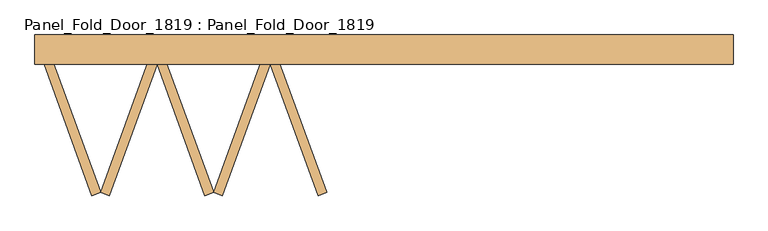
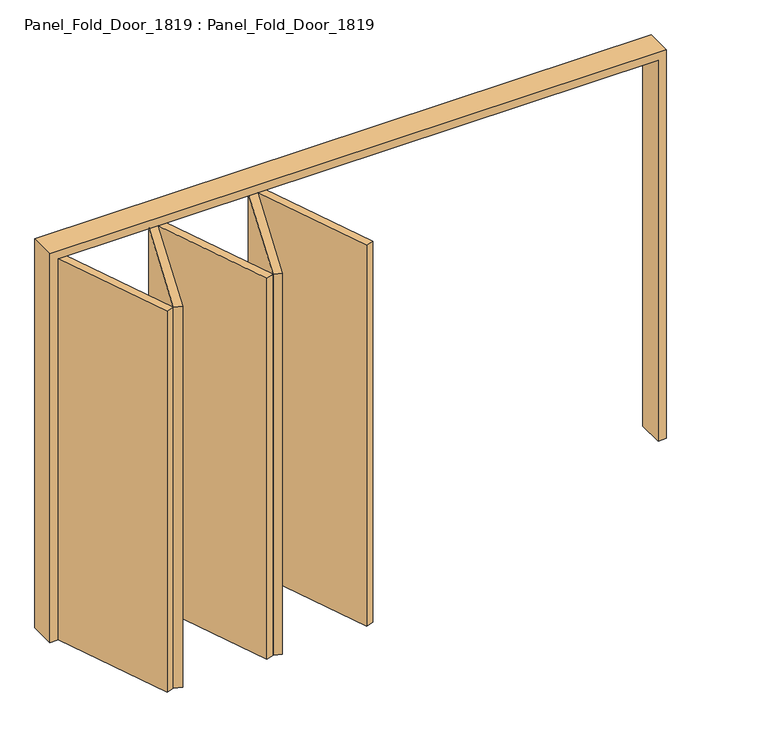
"""IFC4 building model written with IfcOpenShell, lengths in millimetres: door geometry, Panel_Fold_Door_1819 : Panel_Fold_Door_1819."""

from ifc_helpers import new_model, si_unit, frame, origin, origin_with_axes, place, context, project, spatial, polyline, outline, extrude, source, transform, mapped, element, save


def panel_fold_door_1819_panel_fold_door_1819_98f12109(model_context):
    return source(origin(), model_context, "Body", "SweptSolid", [
        extrude(outline(polyline([(-694.0129227, -627.3155725), (-731.6006275, -613.6347667), (-526.3885415, -49.8191943), (-488.8008367, -63.5), (-694.0129227, -627.3155725)])), origin_with_axes(), (0.0, 0.0, 1.0), 1960.0),
        extrude(outline(polyline([(-1179.6125043, -627.3155725), (-1217.2002092, -613.6347667), (-1011.9881232, -49.8191943), (-974.4004183, -63.5), (-1179.6125043, -627.3155725)])), origin_with_axes(), (0.0, 0.0, 1.0), 1960.0),
        extrude(outline(polyline([(-283.5887507, -627.3155725), (-488.8008367, -63.5), (-451.2131319, -49.8191943), (-246.0010459, -613.6347667), (-283.5887507, -627.3155725)])), origin_with_axes(), (0.0, 0.0, 1.0), 1960.0),
        extrude(outline(polyline([(-769.1883324, -627.3155725), (-974.4004183, -63.5), (-936.8127135, -49.8191943), (-731.6006275, -613.6347667), (-769.1883324, -627.3155725)])), origin_with_axes(), (0.0, 0.0, 1.0), 1960.0),
        extrude(outline(polyline([(-1254.787914, -627.3155725), (-1460.0, -63.5), (-1422.4122952, -49.8191943), (-1217.2002092, -613.6347667), (-1254.787914, -627.3155725)])), origin_with_axes(), (0.0, 0.0, 1.0), 1960.0),
        extrude(outline(polyline([(0.0, 1500.0), (2000.0, 1500.0), (2000.0, -1500.0), (0.0, -1500.0), (0.0, -1460.0), (1960.0, -1460.0), (1960.0, 1460.0), (0.0, 1460.0), (0.0, 1500.0)])), frame((0.0, -63.5, 0.0), z_axis=(0.0, 1.0, 0.0), x_axis=(0.0, 0.0, 1.0)), (0.0, 0.0, 1.0), 127.0),
    ])


if __name__ == "__main__":
    model = new_model("IFC4")
    model_context = context("Model", 3, world=origin())
    ifc_project = project(units=[si_unit("LENGTHUNIT", "METRE", prefix="MILLI")], contexts=[model_context])
    site = spatial("IfcSite", under=ifc_project)
    building = spatial("IfcBuilding", under=site)
    placement = place(None, origin())
    panel_fold_door_1819_panel_fold_door_1819_shape = panel_fold_door_1819_panel_fold_door_1819_98f12109(model_context)
    element("IfcDoor", 1, ObjectType="Panel_Fold_Door_1819 : Panel_Fold_Door_1819", at=placement, inside=building, context=model_context, shape_type="MappedRepresentation", body=[
        mapped(panel_fold_door_1819_panel_fold_door_1819_shape, transform((0.0, 0.0, 0.0), x_axis=(1.0, 0.0, 0.0), y_axis=(0.0, 1.0, 0.0), z_axis=(0.0, 0.0, 1.0))),
    ])
    save(model, "model.ifc")
